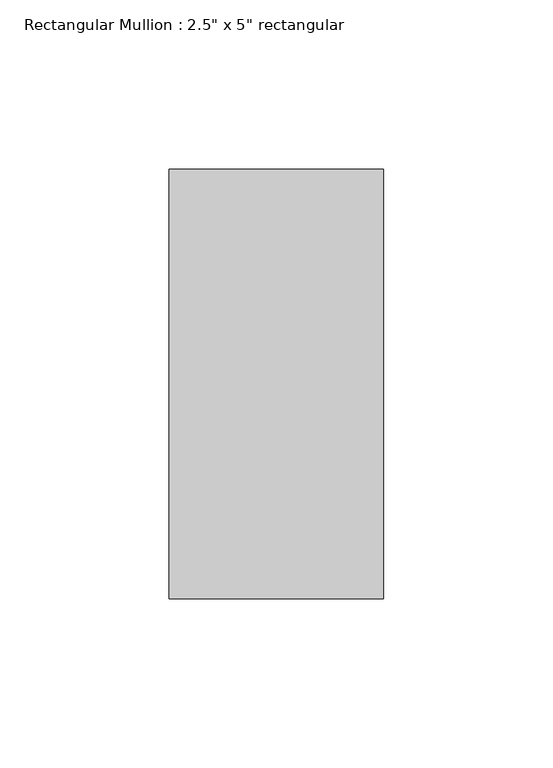
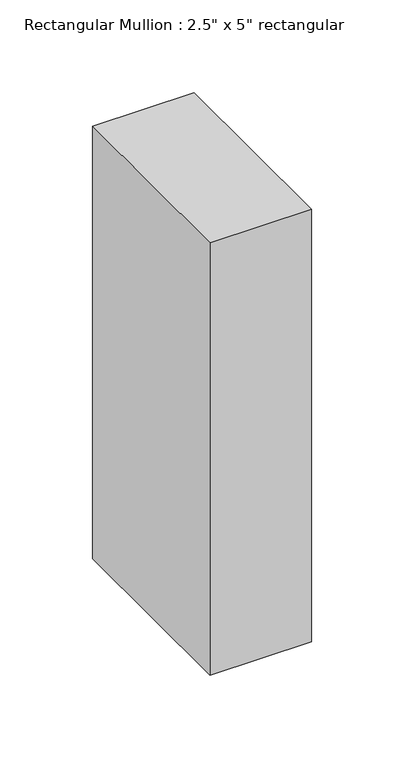
"""IFC4 building model written with IfcOpenShell, lengths in millimetres: member geometry."""

from ifc_helpers import new_model, si_unit, frame, origin, place, context, project, spatial, polyline, outline, extrude, source, transform, mapped, element, save


def member_79d00469(model_context):
    return source(origin(), model_context, "Body", "SweptSolid", [
        extrude(outline(polyline([(0.0, 63.5), (0.0, -63.5), (-63.5, -63.5), (-63.5, 63.5), (0.0, 63.5)])), frame((0.0, 0.0, -285.2550093), z_axis=(0.0, 0.0, 1.0), x_axis=(1.0, 0.0, 0.0)), (0.0, 0.0, 1.0), 285.2550093),
    ])


if __name__ == "__main__":
    model = new_model("IFC4")
    model_context = context("Model", 3, world=origin())
    ifc_project = project(units=[si_unit("LENGTHUNIT", "METRE", prefix="MILLI")], contexts=[model_context])
    site = spatial("IfcSite", under=ifc_project)
    building = spatial("IfcBuilding", under=site)
    placement = place(None, origin())
    member_shape = member_79d00469(model_context)
    element("IfcMember", 1, ObjectType="Rectangular Mullion : 2.5\" x 5\" rectangular", at=placement, inside=building, context=model_context, shape_type="MappedRepresentation", body=[
        mapped(member_shape, transform((0.0, 0.0, 0.0), x_axis=(1.0, 0.0, 0.0), y_axis=(0.0, 1.0, 0.0), z_axis=(0.0, 0.0, 1.0))),
    ])
    save(model, "model.ifc")
